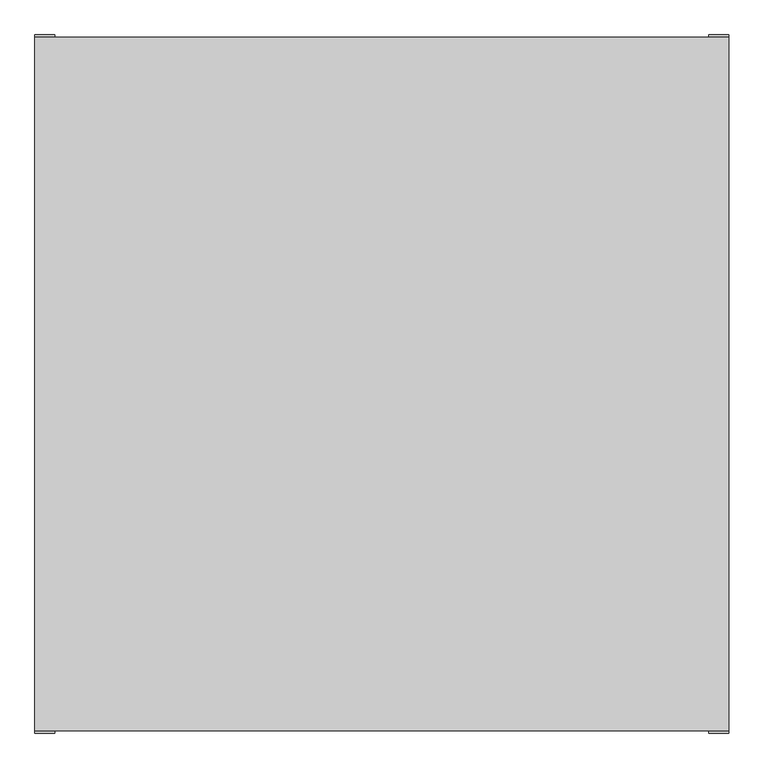
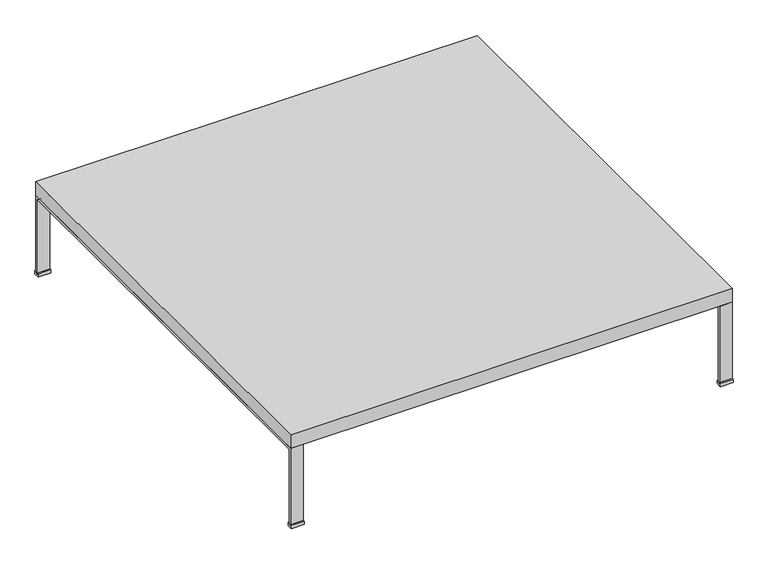
"""IFC4 building model written with IfcOpenShell, lengths in millimetres: furniture geometry."""

from ifc_helpers import new_model, si_unit, point, frame, frame_2d, origin, place, context, project, spatial, polyline, circle_curve, trimmed, segment, composite_curve, outline, extrude, source, transform, mapped, element, save


def furniture_a3f3e70d(model_context):
    return source(origin(), model_context, "Body", "SweptSolid", [
        extrude(outline(polyline([(785.01875, 12.7), (789.78125, 12.7), (789.78125, 0.0), (770.2351562, 0.0), (770.2351562, 12.7), (774.9976562, 12.7), (774.9976562, 6.35), (785.01875, 6.35), (785.01875, 12.7)])), frame((739.9734375, 0.0, 0.0), z_axis=(1.0, 0.0, 0.0), x_axis=(0.0, 1.0, 0.0)), (0.0, 0.0, 1.0), 45.0453125),
        extrude(outline(polyline([(-785.01875, 12.7), (-785.01875, 6.35), (-774.9976563, 6.35), (-774.9976563, 12.7), (-770.2351562, 12.7), (-770.2351562, 0.0), (-789.78125, 0.0), (-789.78125, 12.7), (-785.01875, 12.7)])), frame((739.9734375, 0.0, 0.0), z_axis=(1.0, 0.0, 0.0), x_axis=(0.0, 1.0, 0.0)), (0.0, 0.0, 1.0), 45.0453125),
        extrude(outline(composite_curve([segment(polyline([(-774.9976563, 6.35), (-785.01875, 6.35), (-785.01875, 300.0000023), (785.01875, 300.0000023), (785.01875, 6.35), (774.9976562, 6.35), (774.9976562, 286.8250313)]), True, "CONTINUOUS"), segment(trimmed(circle_curve(frame_2d((771.8226562, 286.8250313)), 3.175), [point((774.9976562, 286.8250313))], [point((771.8226562, 290.0000313))], True, "CARTESIAN"), True, "CONTINUOUS"), segment(polyline([(771.8226562, 290.0000313), (-771.8226562, 290.0000313)]), True, "CONTINUOUS"), segment(trimmed(circle_curve(frame_2d((-771.8226562, 286.8250313)), 3.175), [point((-771.8226562, 290.0000313))], [point((-774.9976562, 286.8250313))], True, "CARTESIAN"), True, "CONTINUOUS"), segment(polyline([(-774.9976562, 286.8250313), (-774.9976563, 6.35)]), True, "CONTINUOUS")], self_intersect=False)), frame((739.9734375, 0.0, 0.0), z_axis=(1.0, 0.0, 0.0), x_axis=(0.0, 1.0, 0.0)), (0.0, 0.0, 1.0), 45.0453125),
        extrude(outline(polyline([(785.01875, 12.7), (789.78125, 12.7), (789.78125, 0.0), (770.2351562, 0.0), (770.2351562, 12.7), (774.9976563, 12.7), (774.9976563, 6.35), (785.01875, 6.35), (785.01875, 12.7)])), frame((-785.01875, 0.0, 0.0), z_axis=(1.0, 0.0, 0.0), x_axis=(0.0, 1.0, 0.0)), (0.0, 0.0, 1.0), 45.0453125),
        extrude(outline(polyline([(-785.01875, 12.7), (-785.01875, 6.35), (-774.9976563, 6.35), (-774.9976563, 12.7), (-770.2351562, 12.7), (-770.2351562, 0.0), (-789.78125, 0.0), (-789.78125, 12.7), (-785.01875, 12.7)])), frame((-785.01875, 0.0, 0.0), z_axis=(1.0, 0.0, 0.0), x_axis=(0.0, 1.0, 0.0)), (0.0, 0.0, 1.0), 45.0453125),
        extrude(outline(polyline([(785.01875, 785.01875), (785.01875, -785.01875), (-785.01875, -785.01875), (-785.01875, 785.01875), (785.01875, 785.01875)])), frame((0.0, 0.0, 300.0000023), z_axis=(0.0, 0.0, 1.0), x_axis=(1.0, 0.0, 0.0)), (0.0, 0.0, 1.0), 50.0437477),
        extrude(outline(composite_curve([segment(polyline([(-774.9976563, 6.35), (-785.01875, 6.35), (-785.01875, 300.0000023), (785.01875, 300.0000023), (785.01875, 6.35), (774.9976562, 6.35), (774.9976562, 286.8250313)]), True, "CONTINUOUS"), segment(trimmed(circle_curve(frame_2d((771.8226562, 286.8250313)), 3.175), [point((774.9976562, 286.8250313))], [point((771.8226562, 290.0000313))], True, "CARTESIAN"), True, "CONTINUOUS"), segment(polyline([(771.8226562, 290.0000313), (-771.8226562, 290.0000313)]), True, "CONTINUOUS"), segment(trimmed(circle_curve(frame_2d((-771.8226562, 286.8250313)), 3.175), [point((-771.8226562, 290.0000313))], [point((-774.9976562, 286.8250313))], True, "CARTESIAN"), True, "CONTINUOUS"), segment(polyline([(-774.9976562, 286.8250313), (-774.9976563, 6.35)]), True, "CONTINUOUS")], self_intersect=False)), frame((-785.01875, 0.0, 0.0), z_axis=(1.0, 0.0, 0.0), x_axis=(0.0, 1.0, 0.0)), (0.0, 0.0, 1.0), 45.0453125),
    ])


if __name__ == "__main__":
    model = new_model("IFC4")
    model_context = context("Model", 3, world=origin())
    ifc_project = project(units=[si_unit("LENGTHUNIT", "METRE", prefix="MILLI")], contexts=[model_context])
    site = spatial("IfcSite", under=ifc_project)
    building = spatial("IfcBuilding", under=site)
    placement = place(None, origin())
    furniture_shape = furniture_a3f3e70d(model_context)
    element("IfcFurniture", 1, at=placement, inside=building, context=model_context, shape_type="MappedRepresentation", body=[
        mapped(furniture_shape, transform((0.0, 0.0, 0.0), x_axis=(1.0, 0.0, 0.0), y_axis=(0.0, 1.0, 0.0), z_axis=(0.0, 0.0, 1.0))),
    ])
    save(model, "model.ifc")
